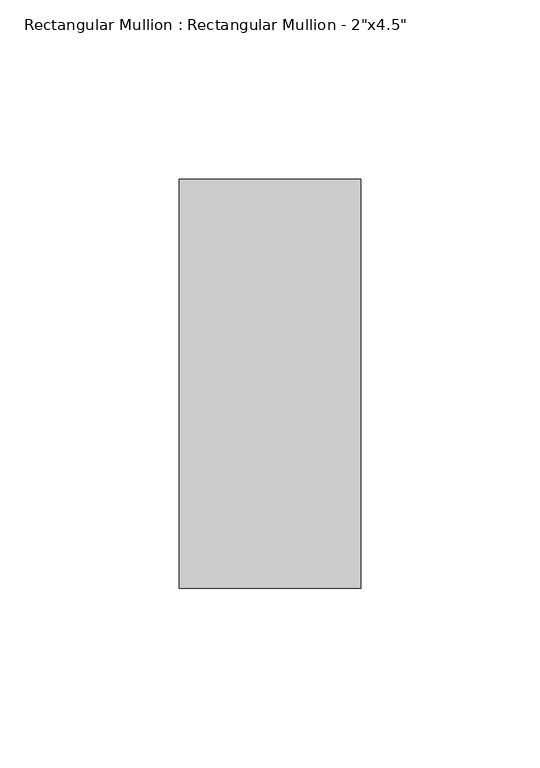
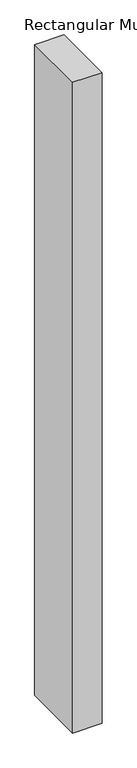
"""IFC4 building model written with IfcOpenShell, lengths in millimetres: member geometry."""

import ifcopenshell
import ifcopenshell.guid

model = None  # the IFC model being written
_history = None  # IfcOwnerHistory: only IFC2X3 demands one
_inside = {}  # id of a spatial element -> (the spatial element, [elements in it])
_under = {}  # id of a project, library or spatial element -> (it, [spatial elements below it])
_declared = {}  # id of a project -> (the project, [libraries it declares])
_typed = {}  # id of a type object -> (the type object, [elements of that type])
_made_of = {}  # id of a material, layer set ... -> (it, [elements and type objects made of it])


def new_model(schema):
    """Start an empty IFC model of exactly this schema.

    Asked for "IFC4X3", IfcOpenShell would pick the latest addendum, in which some entities
    have other attributes; the version numbers below select the first issue.
    IFC2X3 requires an IfcOwnerHistory on every rooted entity: one is made here for all.
    """
    global model, _history
    if schema == "IFC4X3":
        model = ifcopenshell.file(schema_version=(4, 3, 0, 0))
    else:
        model = ifcopenshell.file(schema=schema)
    _inside.clear()
    _under.clear()
    _declared.clear()
    _typed.clear()
    _made_of.clear()
    _history = None
    if model.schema == "IFC2X3":
        org = make("IfcOrganization", Name="unknown")
        user = make(
            "IfcPersonAndOrganization",
            ThePerson=make("IfcPerson", FamilyName="unknown"),
            TheOrganization=org,
        )
        app = make(
            "IfcApplication",
            ApplicationDeveloper=org,
            Version="unknown",
            ApplicationFullName="unknown",
            ApplicationIdentifier="unknown",
        )
        _history = make(
            "IfcOwnerHistory",
            OwningUser=user,
            OwningApplication=app,
            ChangeAction="ADDED",
            CreationDate=0,
        )
    return model


def make(cls, **values):
    """One entity of the class cls with the attributes given. An attribute that is None is left unset."""
    return model.create_entity(
        cls, **{name: value for name, value in values.items() if value is not None}
    )


def rooted(cls, **values):
    """An entity with a GlobalId (a new one), such as an element, a storey or a relation."""
    return make(cls, GlobalId=ifcopenshell.guid.new(), OwnerHistory=_history, **values)


def si_unit(unit_type, name, prefix=None):
    """IfcSIUnit, for example si_unit("LENGTHUNIT", "METRE", prefix="MILLI")."""
    return make("IfcSIUnit", UnitType=unit_type, Prefix=prefix, Name=name)


def assignment(units):
    """IfcUnitAssignment: the units of a project."""
    return None if units is None else make("IfcUnitAssignment", Units=units)


def point(xyz):
    """IfcCartesianPoint."""
    return None if xyz is None else make("IfcCartesianPoint", Coordinates=xyz)


def direction(xyz):
    """IfcDirection."""
    return None if xyz is None else make("IfcDirection", DirectionRatios=xyz)


def frame(location, z_axis=None, x_axis=None):
    """IfcAxis2Placement3D, a coordinate frame: its origin and axes. An axis left out is left unset."""
    return make(
        "IfcAxis2Placement3D",
        Location=point(location),
        Axis=direction(z_axis),
        RefDirection=direction(x_axis),
    )


def origin():
    """The frame at (0, 0, 0) with its axes left unset."""
    return frame((0.0, 0.0, 0.0))


def place(relative_to, where):
    """IfcLocalPlacement: puts the frame where relative to a parent placement (None: the world)."""
    return make(
        "IfcLocalPlacement", PlacementRelTo=relative_to, RelativePlacement=where
    )


def context(
    kind, dimensions, precision=None, world=None, true_north=None, identifier=None
):
    """IfcGeometricRepresentationContext, for example the 3D "Model" context."""
    return make(
        "IfcGeometricRepresentationContext",
        ContextIdentifier=identifier,
        ContextType=kind,
        CoordinateSpaceDimension=dimensions,
        Precision=precision,
        WorldCoordinateSystem=world,
        TrueNorth=true_north,
    )


def project(units=None, contexts=None):
    """IfcProject with its units and contexts."""
    return rooted(
        "IfcProject",
        Name="project",
        RepresentationContexts=contexts,
        UnitsInContext=assignment(units),
    )


def spatial(cls, under=None, at=None, **own):
    """A site, building, storey or space (cls), placed at a placement, below another one or the project."""
    s = rooted(cls, ObjectPlacement=at, **own)
    if under is not None:
        _under.setdefault(under.id(), (under, []))[1].append(s)
    return s


def polyline(points):
    """IfcPolyline through the points."""
    return make("IfcPolyline", Points=[point(p) for p in points])


def outline(outer, holes=None, kind="AREA"):
    """IfcArbitraryClosedProfileDef: a profile drawn as a closed curve; with holes, ...WithVoids."""
    if holes is None:
        return make("IfcArbitraryClosedProfileDef", ProfileType=kind, OuterCurve=outer)
    return make(
        "IfcArbitraryProfileDefWithVoids",
        ProfileType=kind,
        OuterCurve=outer,
        InnerCurves=holes,
    )


def extrude(swept, where, along, depth):
    """IfcExtrudedAreaSolid: the profile swept, set in the frame where, extruded along a direction by depth."""
    return make(
        "IfcExtrudedAreaSolid",
        SweptArea=swept,
        Position=where,
        ExtrudedDirection=direction(along),
        Depth=depth,
    )


def shape(context_of_items, identifier, shape_type, items):
    """IfcShapeRepresentation: the items that make up one representation, for example the "Body"."""
    return make(
        "IfcShapeRepresentation",
        ContextOfItems=context_of_items,
        RepresentationIdentifier=identifier,
        RepresentationType=shape_type,
        Items=items,
    )


def source(mapping_origin, context_of_items, identifier, shape_type, items):
    """IfcRepresentationMap: a shape defined once, which mapped items show again and again."""
    return make(
        "IfcRepresentationMap",
        MappingOrigin=mapping_origin,
        MappedRepresentation=shape(context_of_items, identifier, shape_type, items),
    )


def transform(
    local_origin,
    x_axis=None,
    y_axis=None,
    z_axis=None,
    scale=None,
    scale2=None,
    scale3=None,
    uniform=True,
):
    """IfcCartesianTransformationOperator3D, or its non-uniform kind. x_axis, y_axis, z_axis: its Axis1, 2, 3."""
    if uniform:
        return make(
            "IfcCartesianTransformationOperator3D",
            Axis1=direction(x_axis),
            Axis2=direction(y_axis),
            LocalOrigin=point(local_origin),
            Scale=scale,
            Axis3=direction(z_axis),
        )
    return make(
        "IfcCartesianTransformationOperator3DnonUniform",
        Axis1=direction(x_axis),
        Axis2=direction(y_axis),
        LocalOrigin=point(local_origin),
        Scale=scale,
        Axis3=direction(z_axis),
        Scale2=scale2,
        Scale3=scale3,
    )


def mapped(mapping_source, mapping_target):
    """IfcMappedItem: shows the shape of a source again, moved by a transform."""
    return make(
        "IfcMappedItem", MappingSource=mapping_source, MappingTarget=mapping_target
    )


def made_of(thing, what):
    """Note that an element or type object is made of a material, layer set ...; save() writes the relation."""
    if what is not None:
        _made_of.setdefault(what.id(), (what, []))[1].append(thing)
    return thing


def element(
    cls,
    number,
    at=None,
    inside=None,
    cuts=None,
    type_object=None,
    material=None,
    context=None,
    identifier="Body",
    shape_type=None,
    held_by="IfcProductDefinitionShape",
    body=None,
    shapes=None,
    **own,
):
    """One element of the class cls, such as IfcWall. Its Tag is "e" and its number.

    at: its placement. inside: the storey or other place that contains it. cuts: it is an
    opening in that element (IfcRelVoidsElement). A single representation is given by context,
    identifier, shape_type and body (its items); several are given by shapes. held_by: the class
    of the entity that holds the representations. save() writes the other relations.
    """
    e = rooted(cls, Tag="e%d" % number, ObjectPlacement=at, **own)
    if body is not None:
        shapes = [shape(context, identifier, shape_type, body)]
    if shapes is not None:
        e.Representation = make(held_by, Representations=shapes)
    if inside is not None:
        _inside.setdefault(inside.id(), (inside, []))[1].append(e)
    if cuts is not None:
        rooted(
            "IfcRelVoidsElement", RelatingBuildingElement=cuts, RelatedOpeningElement=e
        )
    if type_object is not None:
        _typed.setdefault(type_object.id(), (type_object, []))[1].append(e)
    return made_of(e, material)


def aggregate(whole, parts):
    """IfcRelAggregates: a whole, such as a stair, and the parts it consists of."""
    return rooted("IfcRelAggregates", RelatingObject=whole, RelatedObjects=parts)


def save(model, path):
    """Write the relations noted so far, then the file.

    IfcRelAggregates (storeys below a building ...), IfcRelContainedInSpatialStructure (elements
    in a storey), IfcRelDefinesByType, IfcRelAssociatesMaterial and IfcRelDeclares: one each for
    every whole, place, type object, material and project.
    """
    for whole, parts in _under.values():
        aggregate(whole, parts)
    for where, things in _inside.values():
        rooted(
            "IfcRelContainedInSpatialStructure",
            RelatedElements=things,
            RelatingStructure=where,
        )
    for kind, things in _typed.values():
        rooted("IfcRelDefinesByType", RelatedObjects=things, RelatingType=kind)
    for what, things in _made_of.values():
        rooted("IfcRelAssociatesMaterial", RelatedObjects=things, RelatingMaterial=what)
    for by, libraries in _declared.values():
        rooted("IfcRelDeclares", RelatingContext=by, RelatedDefinitions=libraries)
    model.write(path)


def member_cdb3b05f(model_context):
    return source(origin(), model_context, "Body", "SweptSolid", [
        extrude(outline(polyline([(0.0, 57.15), (0.0, -57.15), (-50.8, -57.15), (-50.8, 57.15), (0.0, 57.15)])), frame((0.0, 0.0, -1193.8), z_axis=(0.0, 0.0, 1.0), x_axis=(1.0, 0.0, 0.0)), (0.0, 0.0, 1.0), 1193.8),
    ])


if __name__ == "__main__":
    model = new_model("IFC4")
    model_context = context("Model", 3, world=origin())
    ifc_project = project(units=[si_unit("LENGTHUNIT", "METRE", prefix="MILLI")], contexts=[model_context])
    site = spatial("IfcSite", under=ifc_project)
    building = spatial("IfcBuilding", under=site)
    placement = place(None, origin())
    member_shape = member_cdb3b05f(model_context)
    element("IfcMember", 1, ObjectType="Rectangular Mullion : Rectangular Mullion - 2\"x4.5\"", at=placement, inside=building, context=model_context, shape_type="MappedRepresentation", body=[
        mapped(member_shape, transform((0.0, 0.0, 0.0), x_axis=(1.0, 0.0, 0.0), y_axis=(0.0, 1.0, 0.0), z_axis=(0.0, 0.0, 1.0))),
    ])
    save(model, "model.ifc")
